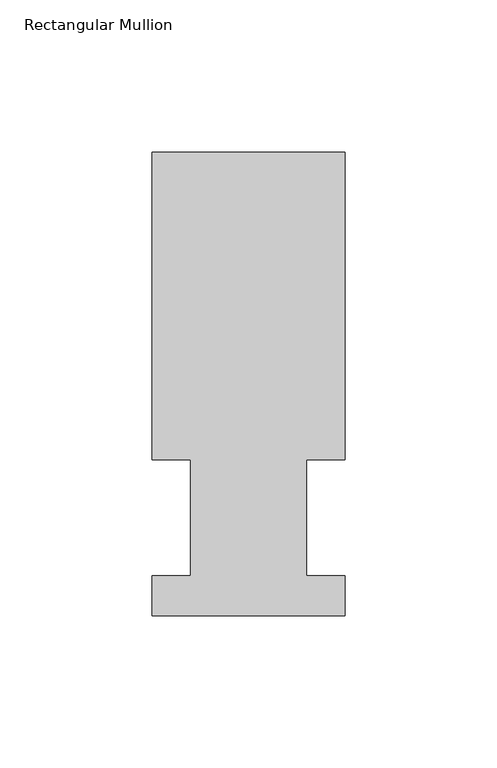
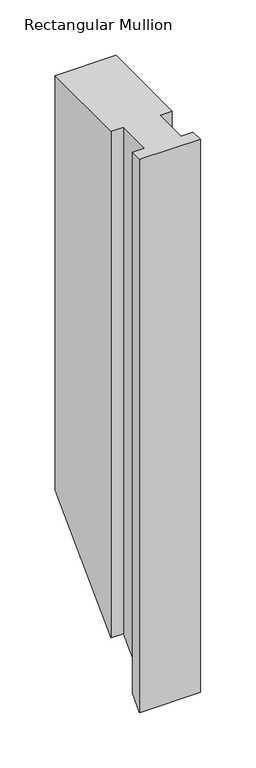
"""IFC4 building model written with IfcOpenShell, lengths in millimetres: member geometry, Rectangular Mullion."""

from ifc_helpers import new_model, si_unit, origin, place, context, project, spatial, faceted_brep, source, transform, mapped, element, save


def rectangular_mullion_3856583e(model_context):
    return source(origin(), model_context, "Body", "Brep", [
        faceted_brep([(-63.5, 152.4896937, 0.0), (-63.5, 51.2960937, 0.0), (-50.8000001, 51.2960937, 0.0), (-50.8000001, 13.1960937, 0.0), (-63.5, 13.1960937, 0.0), (-63.5, 0.0134937, 0.0), (0.0, 0.0134937, 0.0), (0.0, 13.1960937, 0.0), (-12.6873, 13.1960937, 0.0), (-12.6873, 51.2960938, 0.0), (0.0127, 51.2960937, 0.0), (0.0127, 152.4896937, 0.0), (-63.5, 152.4896937, -457.0785563), (-63.5, 51.2960937, -558.2721563), (-50.8000001, 51.2960937, -558.2721563), (-50.8000001, 13.1960937, -596.3721563), (-63.5, 13.1960937, -596.3721563), (-63.5, 0.0134937, -609.5547563), (0.0, 0.0134937, -609.5547563), (0.0, 13.1960937, -596.3721563), (-12.6873, 13.1960937, -596.3721563), (-12.6873, 51.2960938, -558.2721562), (0.0127, 51.2960937, -558.2721563), (0.0127, 152.4896937, -457.0785563)], [[[0, 1, 2, 3, 4, 5, 6, 7, 8, 9, 10, 11]], [[1, 0, 12, 13]], [[2, 1, 13, 14]], [[3, 2, 14, 15]], [[4, 3, 15, 16]], [[5, 4, 16, 17]], [[6, 5, 17, 18]], [[7, 6, 18, 19]], [[8, 7, 19, 20]], [[9, 8, 20, 21]], [[10, 9, 21, 22]], [[11, 10, 22, 23]], [[0, 11, 23, 12]], [[12, 23, 22, 21, 20, 19, 18, 17, 16, 15, 14, 13]]]),
    ])


if __name__ == "__main__":
    model = new_model("IFC4")
    model_context = context("Model", 3, world=origin())
    ifc_project = project(units=[si_unit("LENGTHUNIT", "METRE", prefix="MILLI")], contexts=[model_context])
    site = spatial("IfcSite", under=ifc_project)
    building = spatial("IfcBuilding", under=site)
    placement = place(None, origin())
    rectangular_mullion_shape = rectangular_mullion_3856583e(model_context)
    element("IfcMember", 1, ObjectType="Rectangular Mullion", at=placement, inside=building, context=model_context, shape_type="MappedRepresentation", body=[
        mapped(rectangular_mullion_shape, transform((0.0, 0.0, 0.0), x_axis=(1.0, 0.0, 0.0), y_axis=(0.0, 1.0, 0.0), z_axis=(0.0, 0.0, 1.0))),
    ])
    save(model, "model.ifc")
